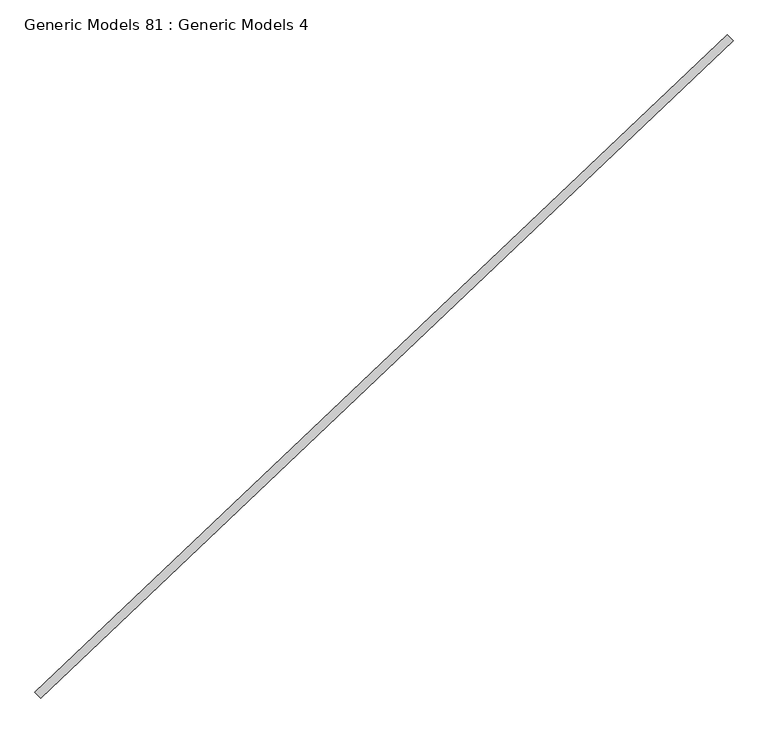
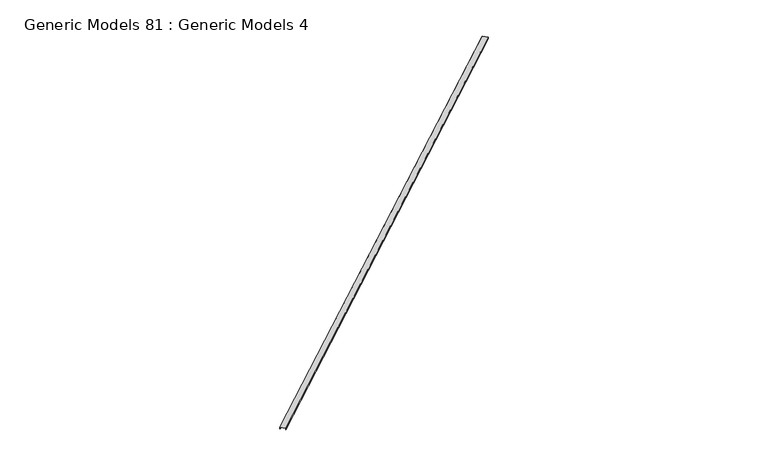
"""IFC4 building model written with IfcOpenShell, lengths in millimetres: proxy geometry, Generic Models 81 : Generic Models 4."""

from ifc_helpers import new_model, si_unit, frame, origin, place, context, project, spatial, polyline, outline, extrude, source, transform, mapped, element, save


def generic_models_81_generic_models_4_87d1e3af(model_context):
    return source(origin(), model_context, "Body", "SweptSolid", [
        extrude(outline(polyline([(0.0, 0.0), (0.0, -152.4000001), (-41.275, -152.4000001), (-41.275, -150.8125), (-1.5875, -150.8125), (-1.5875, -1.5875), (-41.275, -1.5875), (-41.275, 0.0), (0.0, 0.0)])), frame((103395.018244, 40792.2807281, 18364.2), z_axis=(0.725374371012385, 0.6883545756936514, 0.0), x_axis=(0.0, 0.0, 1.0)), (0.0, 0.0, 1.0), 17560.925),
    ])


if __name__ == "__main__":
    model = new_model("IFC4")
    model_context = context("Model", 3, world=origin())
    ifc_project = project(units=[si_unit("LENGTHUNIT", "METRE", prefix="MILLI")], contexts=[model_context])
    site = spatial("IfcSite", under=ifc_project)
    building = spatial("IfcBuilding", under=site)
    placement = place(None, origin())
    generic_models_81_generic_models_4_shape = generic_models_81_generic_models_4_87d1e3af(model_context)
    element("IfcBuildingElementProxy", 1, Name="Generic Models 81 : Generic Models 4", ObjectType="Generic Models 81 : Generic Models 4", at=placement, inside=building, context=model_context, shape_type="MappedRepresentation", body=[
        mapped(generic_models_81_generic_models_4_shape, transform((0.0, 0.0, 0.0), x_axis=(1.0, 0.0, 0.0), y_axis=(0.0, 1.0, 0.0), z_axis=(0.0, 0.0, 1.0))),
    ])
    save(model, "model.ifc")
